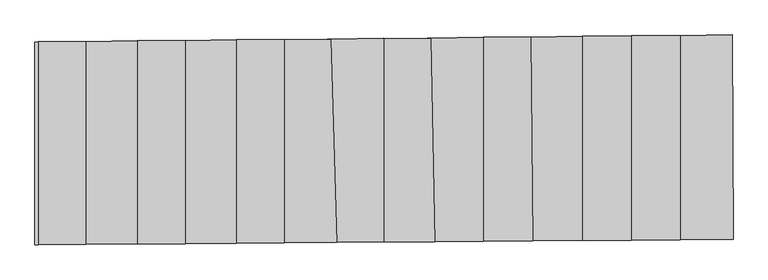
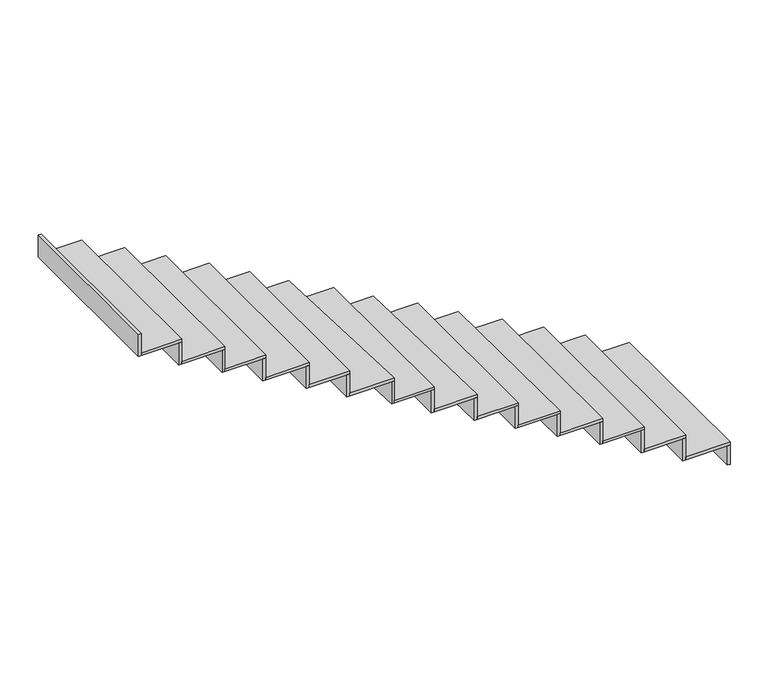
"""IFC4 building model written with IfcOpenShell, lengths in millimetres: stair flight geometry."""

from ifc_helpers import new_model, si_unit, frame, origin, place, context, project, spatial, polyline, outline, extrude, source, transform, mapped, element, save


def stair_flight_8db2c1c9(model_context):
    return source(origin(), model_context, "Body", "SweptSolid", [
        extrude(outline(polyline([(-50203.9647143, 1928.3906435), (-50183.9653224, 1928.5946038), (-50179.6305017, 733.2259473), (-50199.6300592, 733.0676671), (-50203.9647143, 1928.3906435)])), frame((0.0, 0.0, -2411.5), z_axis=(0.0, 0.0, 1.0), x_axis=(1.0, 0.0, 0.0)), (0.0, 0.0, 1.0), 140.5197413),
        extrude(outline(polyline([(-50487.2987351, 730.791004), (-50487.2987351, 1925.501111), (-50183.9653224, 1928.5946038), (-50179.6305017, 733.2259473), (-50487.2987351, 730.791004)])), frame((0.0, 0.0, -2270.9802587), z_axis=(0.0, 0.0, 1.0), x_axis=(1.0, 0.0, 0.0)), (0.0, 0.0, 1.0), 20.0),
        extrude(outline(polyline([(-50507.2987351, 1925.2971445), (-50487.2987351, 1925.501111), (-50487.2987351, 730.791004), (-50507.2987351, 730.6327203), (-50507.2987351, 1925.2971445)])), frame((0.0, 0.0, -2270.9802587), z_axis=(0.0, 0.0, 1.0), x_axis=(1.0, 0.0, 0.0)), (0.0, 0.0, 1.0), 160.5197413),
        extrude(outline(polyline([(-50772.9689015, 728.5301575), (-50772.9689015, 1922.5877538), (-50487.2987351, 1925.501111), (-50487.2987351, 730.791004), (-50772.9689015, 728.5301575)])), frame((0.0, 0.0, -2110.4605175), z_axis=(0.0, 0.0, 1.0), x_axis=(1.0, 0.0, 0.0)), (0.0, 0.0, 1.0), 20.0),
        extrude(outline(polyline([(-50792.9689015, 1922.3837873), (-50772.9689015, 1922.5877538), (-50772.9689015, 728.5301575), (-50792.9689015, 728.3718738), (-50792.9689015, 1922.3837873)])), frame((0.0, 0.0, -2110.4605175), z_axis=(0.0, 0.0, 1.0), x_axis=(1.0, 0.0, 0.0)), (0.0, 0.0, 1.0), 160.5197413),
        extrude(outline(polyline([(-51059.2509532, 726.2644684), (-51059.2509532, 1919.6681564), (-50772.9689015, 1922.5877538), (-50772.9689015, 728.5301575), (-51059.2509532, 726.2644684)])), frame((0.0, 0.0, -1949.9407762), z_axis=(0.0, 0.0, 1.0), x_axis=(1.0, 0.0, 0.0)), (0.0, 0.0, 1.0), 20.0),
        extrude(outline(polyline([(-51079.2509532, 1919.4641899), (-51059.2509532, 1919.6681564), (-51059.2509532, 726.2644684), (-51079.2509532, 726.1061847), (-51079.2509532, 1919.4641899)])), frame((0.0, 0.0, -1949.9407762), z_axis=(0.0, 0.0, 1.0), x_axis=(1.0, 0.0, 0.0)), (0.0, 0.0, 1.0), 160.5197413),
        extrude(outline(polyline([(-51349.9774033, 723.9636055), (-51362.1400847, 1916.5791946), (-51059.2509532, 1919.6681564), (-51059.2509532, 726.2644684), (-51349.9774033, 723.9636055)])), frame((0.0, 0.0, -1789.421035), z_axis=(0.0, 0.0, 1.0), x_axis=(1.0, 0.0, 0.0)), (0.0, 0.0, 1.0), 20.0),
        extrude(outline(polyline([(-51382.1390448, 1916.3752387), (-51362.1400847, 1916.5791946), (-51349.9774033, 723.9636055), (-51369.9768291, 723.8053264), (-51382.1390448, 1916.3752387)])), frame((0.0, 0.0, -1789.421035), z_axis=(0.0, 0.0, 1.0), x_axis=(1.0, 0.0, 0.0)), (0.0, 0.0, 1.0), 160.5197413),
        extrude(outline(polyline([(-51639.2509532, 721.6742411), (-51639.2509532, 1913.7531278), (-51362.1400847, 1916.5791946), (-51349.9774033, 723.9636055), (-51639.2509532, 721.6742411)])), frame((0.0, 0.0, -1628.9012937), z_axis=(0.0, 0.0, 1.0), x_axis=(1.0, 0.0, 0.0)), (0.0, 0.0, 1.0), 20.0),
        extrude(outline(polyline([(-51659.2509532, 1913.5491613), (-51639.2509532, 1913.7531278), (-51639.2509532, 721.6742411), (-51659.2509532, 721.5159575), (-51659.2509532, 1913.5491613)])), frame((0.0, 0.0, -1628.9012937), z_axis=(0.0, 0.0, 1.0), x_axis=(1.0, 0.0, 0.0)), (0.0, 0.0, 1.0), 160.5197413),
        extrude(outline(polyline([(-51922.8546455, 719.4297491), (-51945.7144314, 1910.6277137), (-51639.2509532, 1913.7531278), (-51639.2509532, 721.6742411), (-51922.8546455, 719.4297491)])), frame((0.0, 0.0, -1468.3815524), z_axis=(0.0, 0.0, 1.0), x_axis=(1.0, 0.0, 0.0)), (0.0, 0.0, 1.0), 20.0),
        extrude(outline(polyline([(-51965.7141997, 1910.4237495), (-51945.7144314, 1910.6277137), (-51922.8546455, 719.4297491), (-51942.8552903, 719.2714603), (-51965.7141997, 1910.4237495)])), frame((0.0, 0.0, -1468.3815524), z_axis=(0.0, 0.0, 1.0), x_axis=(1.0, 0.0, 0.0)), (0.0, 0.0, 1.0), 160.5197413),
        extrude(outline(polyline([(-52219.1994085, 717.0844219), (-52219.1994085, 1907.838625), (-51945.7144314, 1910.6277137), (-51922.8546455, 719.4297491), (-52219.1994085, 717.0844219)])), frame((0.0, 0.0, -1307.8618112), z_axis=(0.0, 0.0, 1.0), x_axis=(1.0, 0.0, 0.0)), (0.0, 0.0, 1.0), 20.0),
        extrude(outline(polyline([(-52239.1994085, 1907.6346585), (-52219.1994085, 1907.838625), (-52219.1994085, 717.0844219), (-52239.1994085, 716.9261382), (-52239.1994085, 1907.6346585)])), frame((0.0, 0.0, -1307.8618112), z_axis=(0.0, 0.0, 1.0), x_axis=(1.0, 0.0, 0.0)), (0.0, 0.0, 1.0), 160.5197413),
        extrude(outline(polyline([(-52492.2708024, 714.9232844), (-52529.807085, 1904.6709469), (-52219.1994085, 1907.838625), (-52219.1994085, 717.0844219), (-52492.2708024, 714.9232844)])), frame((0.0, 0.0, -1147.3420699), z_axis=(0.0, 0.0, 1.0), x_axis=(1.0, 0.0, 0.0)), (0.0, 0.0, 1.0), 20.0),
        extrude(outline(polyline([(-52549.8106002, 1904.4669446), (-52529.807085, 1904.6709469), (-52492.2708024, 714.9232844), (-52512.2757588, 714.7649614), (-52549.8106002, 1904.4669446)])), frame((0.0, 0.0, -1147.3420699), z_axis=(0.0, 0.0, 1.0), x_axis=(1.0, 0.0, 0.0)), (0.0, 0.0, 1.0), 160.5197413),
        extrude(outline(polyline([(-52799.0926372, 712.4950396), (-52799.0926372, 1901.9246853), (-52529.807085, 1904.6709469), (-52492.2708024, 714.9232844), (-52799.0926372, 712.4950396)])), frame((0.0, 0.0, -986.8223286), z_axis=(0.0, 0.0, 1.0), x_axis=(1.0, 0.0, 0.0)), (0.0, 0.0, 1.0), 20.0),
        extrude(outline(polyline([(-52819.0926372, 1901.7207188), (-52799.0926372, 1901.9246853), (-52799.0926372, 712.4950396), (-52819.0926372, 712.3367559), (-52819.0926372, 1901.7207188)])), frame((0.0, 0.0, -986.8223286), z_axis=(0.0, 0.0, 1.0), x_axis=(1.0, 0.0, 0.0)), (0.0, 0.0, 1.0), 160.5197413),
        extrude(outline(polyline([(-53079.0926372, 710.2790679), (-53079.0926372, 1899.0691543), (-52799.0926372, 1901.9246853), (-52799.0926372, 712.4950396), (-53079.0926372, 710.2790679)])), frame((0.0, 0.0, -826.3025874), z_axis=(0.0, 0.0, 1.0), x_axis=(1.0, 0.0, 0.0)), (0.0, 0.0, 1.0), 20.0),
        extrude(outline(polyline([(-53099.0926372, 1898.8651878), (-53079.0926372, 1899.0691543), (-53079.0926372, 710.2790679), (-53099.0926372, 710.1207842), (-53099.0926372, 1898.8651878)])), frame((0.0, 0.0, -826.3025874), z_axis=(0.0, 0.0, 1.0), x_axis=(1.0, 0.0, 0.0)), (0.0, 0.0, 1.0), 160.5197413),
        extrude(outline(polyline([(-53379.0926372, 707.9048124), (-53379.0926372, 1896.0096568), (-53079.0926372, 1899.0691543), (-53079.0926372, 710.2790679), (-53379.0926372, 707.9048124)])), frame((0.0, 0.0, -665.7828461), z_axis=(0.0, 0.0, 1.0), x_axis=(1.0, 0.0, 0.0)), (0.0, 0.0, 1.0), 20.0),
        extrude(outline(polyline([(-53399.0926372, 1895.8056903), (-53379.0926372, 1896.0096568), (-53379.0926372, 707.9048124), (-53399.0926372, 707.7465287), (-53399.0926372, 1895.8056903)])), frame((0.0, 0.0, -665.7828461), z_axis=(0.0, 0.0, 1.0), x_axis=(1.0, 0.0, 0.0)), (0.0, 0.0, 1.0), 160.5197413),
        extrude(outline(polyline([(-53659.0926372, 705.6888406), (-53659.0926372, 1893.1541258), (-53379.0926372, 1896.0096568), (-53379.0926372, 707.9048124), (-53659.0926372, 705.6888406)])), frame((0.0, 0.0, -505.2631049), z_axis=(0.0, 0.0, 1.0), x_axis=(1.0, 0.0, 0.0)), (0.0, 0.0, 1.0), 20.0),
        extrude(outline(polyline([(-53679.0926372, 1892.9501593), (-53659.0926372, 1893.1541258), (-53659.0926372, 705.6888406), (-53679.0926372, 705.5305569), (-53679.0926372, 1892.9501593)])), frame((0.0, 0.0, -505.2631049), z_axis=(0.0, 0.0, 1.0), x_axis=(1.0, 0.0, 0.0)), (0.0, 0.0, 1.0), 160.5197413),
        extrude(outline(polyline([(-53958.483263, 703.3194079), (-53958.483263, 1890.1008428), (-53659.0926372, 1893.1541258), (-53659.0926372, 705.6888406), (-53958.483263, 703.3194079)])), frame((0.0, 0.0, -344.7433636), z_axis=(0.0, 0.0, 1.0), x_axis=(1.0, 0.0, 0.0)), (0.0, 0.0, 1.0), 20.0),
        extrude(outline(polyline([(-53978.483263, 1889.8968763), (-53958.483263, 1890.1008428), (-53958.483263, 703.3194079), (-53978.483263, 703.1611242), (-53978.483263, 1889.8968763)])), frame((0.0, 0.0, -344.7433636), z_axis=(0.0, 0.0, 1.0), x_axis=(1.0, 0.0, 0.0)), (0.0, 0.0, 1.0), 160.5197413),
        extrude(outline(polyline([(-54255.7528817, 1887.0691906), (-54235.7528817, 1887.2731571), (-54235.7528817, 701.1250448), (-54255.7528817, 700.9667611), (-54255.7528817, 1887.0691906)])), frame((0.0, 0.0, -184.2236223), z_axis=(0.0, 0.0, 1.0), x_axis=(1.0, 0.0, 0.0)), (0.0, 0.0, 1.0), 160.5197413),
        extrude(outline(polyline([(-54235.7528817, 701.1250448), (-54235.7528817, 1887.2731571), (-53958.483263, 1890.1008428), (-53958.483263, 703.3194079), (-54235.7528817, 701.1250448)])), frame((0.0, 0.0, -184.2236223), z_axis=(0.0, 0.0, 1.0), x_axis=(1.0, 0.0, 0.0)), (0.0, 0.0, 1.0), 20.0),
    ])


if __name__ == "__main__":
    model = new_model("IFC4")
    model_context = context("Model", 3, world=origin())
    ifc_project = project(units=[si_unit("LENGTHUNIT", "METRE", prefix="MILLI")], contexts=[model_context])
    site = spatial("IfcSite", under=ifc_project)
    building = spatial("IfcBuilding", under=site)
    placement = place(None, origin())
    stair_flight_shape = stair_flight_8db2c1c9(model_context)
    element("IfcStairFlight", 1, at=placement, inside=building, context=model_context, shape_type="MappedRepresentation", body=[
        mapped(stair_flight_shape, transform((0.0, 0.0, 0.0), x_axis=(1.0, 0.0, 0.0), y_axis=(0.0, 1.0, 0.0), z_axis=(0.0, 0.0, 1.0))),
    ])
    save(model, "model.ifc")
